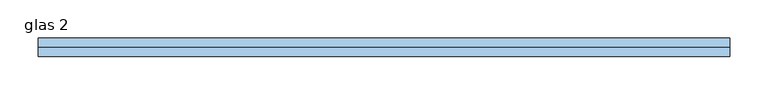
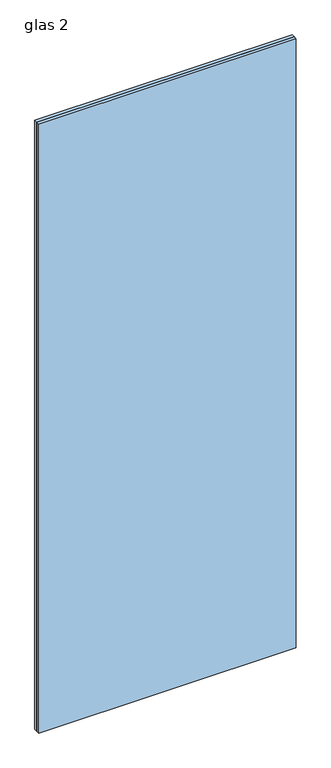
"""IFC4 building model written with IfcOpenShell, lengths in millimetres: window geometry, glas 2."""

import ifcopenshell
import ifcopenshell.guid

model = None  # the IFC model being written
_history = None  # IfcOwnerHistory: only IFC2X3 demands one
_inside = {}  # id of a spatial element -> (the spatial element, [elements in it])
_under = {}  # id of a project, library or spatial element -> (it, [spatial elements below it])
_declared = {}  # id of a project -> (the project, [libraries it declares])
_typed = {}  # id of a type object -> (the type object, [elements of that type])
_made_of = {}  # id of a material, layer set ... -> (it, [elements and type objects made of it])


def new_model(schema):
    """Start an empty IFC model of exactly this schema.

    Asked for "IFC4X3", IfcOpenShell would pick the latest addendum, in which some entities
    have other attributes; the version numbers below select the first issue.
    IFC2X3 requires an IfcOwnerHistory on every rooted entity: one is made here for all.
    """
    global model, _history
    if schema == "IFC4X3":
        model = ifcopenshell.file(schema_version=(4, 3, 0, 0))
    else:
        model = ifcopenshell.file(schema=schema)
    _inside.clear()
    _under.clear()
    _declared.clear()
    _typed.clear()
    _made_of.clear()
    _history = None
    if model.schema == "IFC2X3":
        org = make("IfcOrganization", Name="unknown")
        user = make(
            "IfcPersonAndOrganization",
            ThePerson=make("IfcPerson", FamilyName="unknown"),
            TheOrganization=org,
        )
        app = make(
            "IfcApplication",
            ApplicationDeveloper=org,
            Version="unknown",
            ApplicationFullName="unknown",
            ApplicationIdentifier="unknown",
        )
        _history = make(
            "IfcOwnerHistory",
            OwningUser=user,
            OwningApplication=app,
            ChangeAction="ADDED",
            CreationDate=0,
        )
    return model


def make(cls, **values):
    """One entity of the class cls with the attributes given. An attribute that is None is left unset."""
    return model.create_entity(
        cls, **{name: value for name, value in values.items() if value is not None}
    )


def rooted(cls, **values):
    """An entity with a GlobalId (a new one), such as an element, a storey or a relation."""
    return make(cls, GlobalId=ifcopenshell.guid.new(), OwnerHistory=_history, **values)


def si_unit(unit_type, name, prefix=None):
    """IfcSIUnit, for example si_unit("LENGTHUNIT", "METRE", prefix="MILLI")."""
    return make("IfcSIUnit", UnitType=unit_type, Prefix=prefix, Name=name)


def assignment(units):
    """IfcUnitAssignment: the units of a project."""
    return None if units is None else make("IfcUnitAssignment", Units=units)


def point(xyz):
    """IfcCartesianPoint."""
    return None if xyz is None else make("IfcCartesianPoint", Coordinates=xyz)


def direction(xyz):
    """IfcDirection."""
    return None if xyz is None else make("IfcDirection", DirectionRatios=xyz)


def frame(location, z_axis=None, x_axis=None):
    """IfcAxis2Placement3D, a coordinate frame: its origin and axes. An axis left out is left unset."""
    return make(
        "IfcAxis2Placement3D",
        Location=point(location),
        Axis=direction(z_axis),
        RefDirection=direction(x_axis),
    )


def origin():
    """The frame at (0, 0, 0) with its axes left unset."""
    return frame((0.0, 0.0, 0.0))


def origin_with_axes():
    """The frame at (0, 0, 0) with the z axis (0, 0, 1) and the x axis (1, 0, 0) written out."""
    return frame((0.0, 0.0, 0.0), z_axis=(0.0, 0.0, 1.0), x_axis=(1.0, 0.0, 0.0))


def place(relative_to, where):
    """IfcLocalPlacement: puts the frame where relative to a parent placement (None: the world)."""
    return make(
        "IfcLocalPlacement", PlacementRelTo=relative_to, RelativePlacement=where
    )


def context(
    kind, dimensions, precision=None, world=None, true_north=None, identifier=None
):
    """IfcGeometricRepresentationContext, for example the 3D "Model" context."""
    return make(
        "IfcGeometricRepresentationContext",
        ContextIdentifier=identifier,
        ContextType=kind,
        CoordinateSpaceDimension=dimensions,
        Precision=precision,
        WorldCoordinateSystem=world,
        TrueNorth=true_north,
    )


def project(units=None, contexts=None):
    """IfcProject with its units and contexts."""
    return rooted(
        "IfcProject",
        Name="project",
        RepresentationContexts=contexts,
        UnitsInContext=assignment(units),
    )


def spatial(cls, under=None, at=None, **own):
    """A site, building, storey or space (cls), placed at a placement, below another one or the project."""
    s = rooted(cls, ObjectPlacement=at, **own)
    if under is not None:
        _under.setdefault(under.id(), (under, []))[1].append(s)
    return s


def polyline(points):
    """IfcPolyline through the points."""
    return make("IfcPolyline", Points=[point(p) for p in points])


def outline(outer, holes=None, kind="AREA"):
    """IfcArbitraryClosedProfileDef: a profile drawn as a closed curve; with holes, ...WithVoids."""
    if holes is None:
        return make("IfcArbitraryClosedProfileDef", ProfileType=kind, OuterCurve=outer)
    return make(
        "IfcArbitraryProfileDefWithVoids",
        ProfileType=kind,
        OuterCurve=outer,
        InnerCurves=holes,
    )


def extrude(swept, where, along, depth):
    """IfcExtrudedAreaSolid: the profile swept, set in the frame where, extruded along a direction by depth."""
    return make(
        "IfcExtrudedAreaSolid",
        SweptArea=swept,
        Position=where,
        ExtrudedDirection=direction(along),
        Depth=depth,
    )


def shape(context_of_items, identifier, shape_type, items):
    """IfcShapeRepresentation: the items that make up one representation, for example the "Body"."""
    return make(
        "IfcShapeRepresentation",
        ContextOfItems=context_of_items,
        RepresentationIdentifier=identifier,
        RepresentationType=shape_type,
        Items=items,
    )


def source(mapping_origin, context_of_items, identifier, shape_type, items):
    """IfcRepresentationMap: a shape defined once, which mapped items show again and again."""
    return make(
        "IfcRepresentationMap",
        MappingOrigin=mapping_origin,
        MappedRepresentation=shape(context_of_items, identifier, shape_type, items),
    )


def transform(
    local_origin,
    x_axis=None,
    y_axis=None,
    z_axis=None,
    scale=None,
    scale2=None,
    scale3=None,
    uniform=True,
):
    """IfcCartesianTransformationOperator3D, or its non-uniform kind. x_axis, y_axis, z_axis: its Axis1, 2, 3."""
    if uniform:
        return make(
            "IfcCartesianTransformationOperator3D",
            Axis1=direction(x_axis),
            Axis2=direction(y_axis),
            LocalOrigin=point(local_origin),
            Scale=scale,
            Axis3=direction(z_axis),
        )
    return make(
        "IfcCartesianTransformationOperator3DnonUniform",
        Axis1=direction(x_axis),
        Axis2=direction(y_axis),
        LocalOrigin=point(local_origin),
        Scale=scale,
        Axis3=direction(z_axis),
        Scale2=scale2,
        Scale3=scale3,
    )


def mapped(mapping_source, mapping_target):
    """IfcMappedItem: shows the shape of a source again, moved by a transform."""
    return make(
        "IfcMappedItem", MappingSource=mapping_source, MappingTarget=mapping_target
    )


def made_of(thing, what):
    """Note that an element or type object is made of a material, layer set ...; save() writes the relation."""
    if what is not None:
        _made_of.setdefault(what.id(), (what, []))[1].append(thing)
    return thing


def element(
    cls,
    number,
    at=None,
    inside=None,
    cuts=None,
    type_object=None,
    material=None,
    context=None,
    identifier="Body",
    shape_type=None,
    held_by="IfcProductDefinitionShape",
    body=None,
    shapes=None,
    **own,
):
    """One element of the class cls, such as IfcWall. Its Tag is "e" and its number.

    at: its placement. inside: the storey or other place that contains it. cuts: it is an
    opening in that element (IfcRelVoidsElement). A single representation is given by context,
    identifier, shape_type and body (its items); several are given by shapes. held_by: the class
    of the entity that holds the representations. save() writes the other relations.
    """
    e = rooted(cls, Tag="e%d" % number, ObjectPlacement=at, **own)
    if body is not None:
        shapes = [shape(context, identifier, shape_type, body)]
    if shapes is not None:
        e.Representation = make(held_by, Representations=shapes)
    if inside is not None:
        _inside.setdefault(inside.id(), (inside, []))[1].append(e)
    if cuts is not None:
        rooted(
            "IfcRelVoidsElement", RelatingBuildingElement=cuts, RelatedOpeningElement=e
        )
    if type_object is not None:
        _typed.setdefault(type_object.id(), (type_object, []))[1].append(e)
    return made_of(e, material)


def aggregate(whole, parts):
    """IfcRelAggregates: a whole, such as a stair, and the parts it consists of."""
    return rooted("IfcRelAggregates", RelatingObject=whole, RelatedObjects=parts)


def save(model, path):
    """Write the relations noted so far, then the file.

    IfcRelAggregates (storeys below a building ...), IfcRelContainedInSpatialStructure (elements
    in a storey), IfcRelDefinesByType, IfcRelAssociatesMaterial and IfcRelDeclares: one each for
    every whole, place, type object, material and project.
    """
    for whole, parts in _under.values():
        aggregate(whole, parts)
    for where, things in _inside.values():
        rooted(
            "IfcRelContainedInSpatialStructure",
            RelatedElements=things,
            RelatingStructure=where,
        )
    for kind, things in _typed.values():
        rooted("IfcRelDefinesByType", RelatedObjects=things, RelatingType=kind)
    for what, things in _made_of.values():
        rooted("IfcRelAssociatesMaterial", RelatedObjects=things, RelatingMaterial=what)
    for by, libraries in _declared.values():
        rooted("IfcRelDeclares", RelatingContext=by, RelatedDefinitions=libraries)
    model.write(path)


def glas_2_c2102c3f(model_context):
    return source(origin(), model_context, "Body", "SweptSolid", [
        extrude(outline(polyline([(-452.0833333, 12.0), (452.0833333, 12.0), (452.0833333, 0.0), (-452.0833333, 0.0), (-452.0833333, 12.0)])), origin_with_axes(), (0.0, 0.0, 1.0), 2259.5),
        extrude(outline(polyline([(-452.0833333, 0.0), (452.0833333, 0.0), (452.0833333, -12.0), (-452.0833333, -12.0), (-452.0833333, 0.0)])), origin_with_axes(), (0.0, 0.0, 1.0), 2259.5),
    ])


if __name__ == "__main__":
    model = new_model("IFC4")
    model_context = context("Model", 3, world=origin())
    ifc_project = project(units=[si_unit("LENGTHUNIT", "METRE", prefix="MILLI")], contexts=[model_context])
    site = spatial("IfcSite", under=ifc_project)
    building = spatial("IfcBuilding", under=site)
    placement = place(None, origin())
    glas_2_shape = glas_2_c2102c3f(model_context)
    element("IfcWindow", 1, ObjectType="glas 2", at=placement, inside=building, context=model_context, shape_type="MappedRepresentation", body=[
        mapped(glas_2_shape, transform((0.0, 0.0, 0.0), x_axis=(1.0, 0.0, 0.0), y_axis=(0.0, 1.0, 0.0), z_axis=(0.0, 0.0, 1.0))),
    ])
    save(model, "model.ifc")
